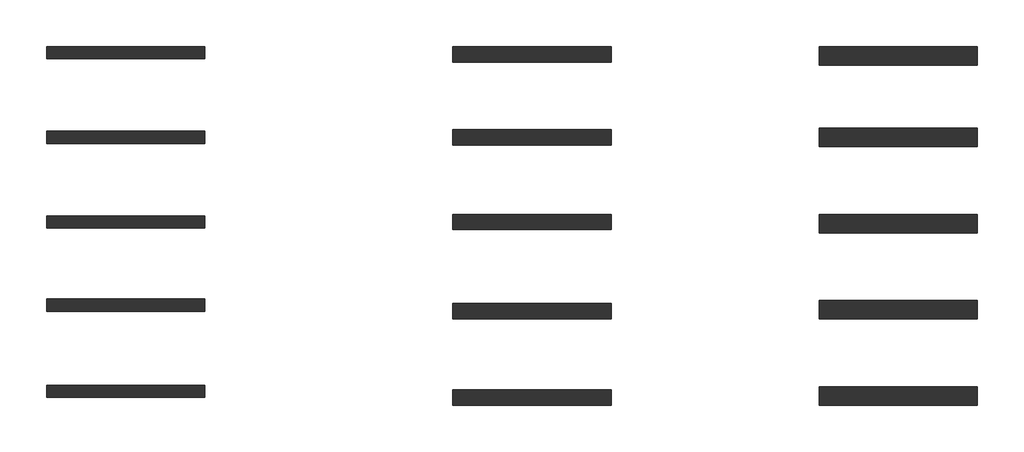
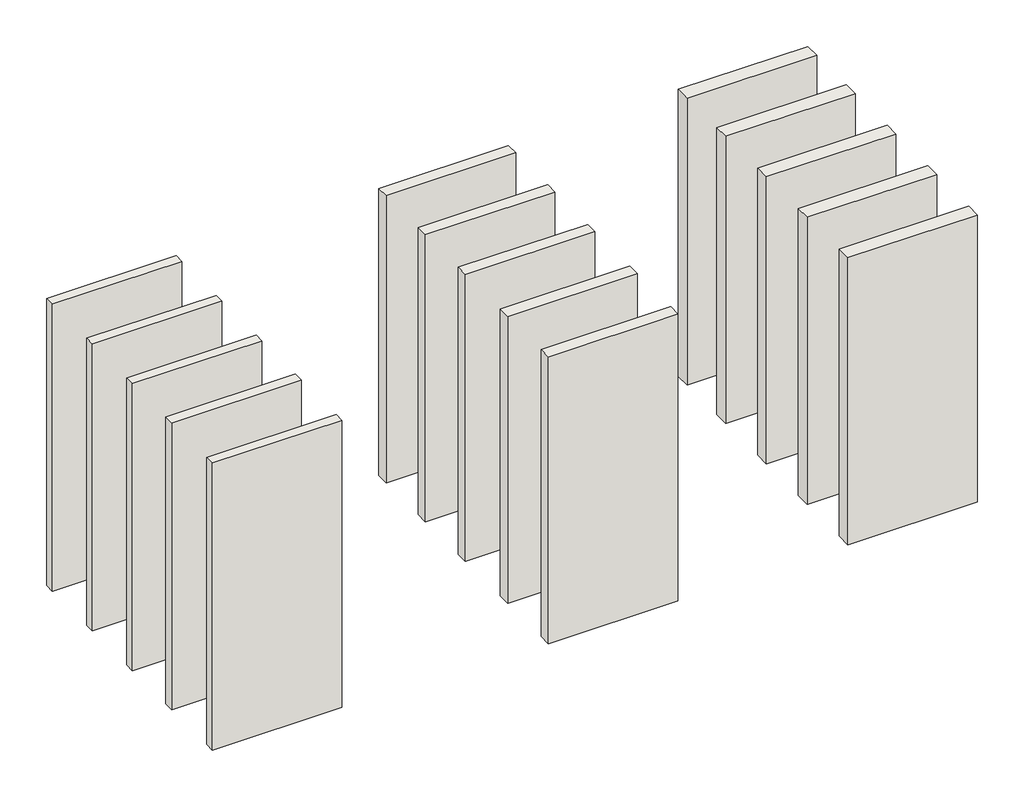
# One storey: 15 walls.
"""IFC4 building model written with IfcOpenShell, lengths in millimetres."""

from ifc_helpers import new_model, si_unit, origin, origin_with_axes, place, context, project, spatial, polyline, outline, extrude, element, save

model = new_model("IFC4")

# Units and contexts
model_context = context("Model", 3, world=origin())
ifc_project = project(units=[si_unit("LENGTHUNIT", "METRE", prefix="MILLI")], contexts=[model_context])

# Site, building, storey
site = spatial("IfcSite", under=ifc_project)
building = spatial("IfcBuilding", under=site)
storey = spatial("IfcBuildingStorey", under=building, Elevation=0.0)

# Walls
placement = place(None, origin())
element("IfcWall", 1, at=placement, inside=storey, context=model_context, shape_type="SweptSolid", body=[
    extrude(outline(polyline([(-9780.2640717, 13481.7035262), (-11060.2640717, 13481.7035262), (-11060.2640717, 13581.7035262), (-9780.2640717, 13581.7035262), (-9780.2640717, 13481.7035262)])), origin_with_axes(), (0.0, 0.0, 1.0), 3000.0),
])
element("IfcWall", 2, at=placement, inside=storey, context=model_context, shape_type="SweptSolid", body=[
    extrude(outline(polyline([(-9780.2640717, 12796.7035262), (-11060.2640717, 12796.7035262), (-11060.2640717, 12896.7035262), (-9780.2640717, 12896.7035262), (-9780.2640717, 12796.7035262)])), origin_with_axes(), (0.0, 0.0, 1.0), 3000.0),
])
element("IfcWall", 3, at=placement, inside=storey, context=model_context, shape_type="SweptSolid", body=[
    extrude(outline(polyline([(-9780.2640717, 12111.7035262), (-11060.2640717, 12111.7035262), (-11060.2640717, 12211.7035262), (-9780.2640717, 12211.7035262), (-9780.2640717, 12111.7035262)])), origin_with_axes(), (0.0, 0.0, 1.0), 3000.0),
])
element("IfcWall", 4, at=placement, inside=storey, context=model_context, shape_type="SweptSolid", body=[
    extrude(outline(polyline([(-9780.2640717, 11439.2035262), (-11060.2640717, 11439.2035262), (-11060.2640717, 11539.2035262), (-9780.2640717, 11539.2035262), (-9780.2640717, 11439.2035262)])), origin_with_axes(), (0.0, 0.0, 1.0), 3000.0),
])
element("IfcWall", 5, at=placement, inside=storey, context=model_context, shape_type="SweptSolid", body=[
    extrude(outline(polyline([(-9780.2640717, 10741.7035262), (-11060.2640717, 10741.7035262), (-11060.2640717, 10841.7035262), (-9780.2640717, 10841.7035262), (-9780.2640717, 10741.7035262)])), origin_with_axes(), (0.0, 0.0, 1.0), 3000.0),
])
element("IfcWall", 6, at=placement, inside=storey, context=model_context, shape_type="SweptSolid", body=[
    extrude(outline(polyline([(-6496.3399499, 13456.7035262), (-7776.3399499, 13456.7035262), (-7776.3399499, 13581.7035262), (-6496.3399499, 13581.7035262), (-6496.3399499, 13456.7035262)])), origin_with_axes(), (0.0, 0.0, 1.0), 3000.0),
])
element("IfcWall", 7, at=placement, inside=storey, context=model_context, shape_type="SweptSolid", body=[
    extrude(outline(polyline([(-6496.3399499, 12784.2035262), (-7776.3399499, 12784.2035262), (-7776.3399499, 12909.2035262), (-6496.3399499, 12909.2035262), (-6496.3399499, 12784.2035262)])), origin_with_axes(), (0.0, 0.0, 1.0), 3000.0),
])
element("IfcWall", 8, at=placement, inside=storey, context=model_context, shape_type="SweptSolid", body=[
    extrude(outline(polyline([(-6496.3399499, 12099.2035262), (-7776.3399499, 12099.2035262), (-7776.3399499, 12224.2035262), (-6496.3399499, 12224.2035262), (-6496.3399499, 12099.2035262)])), origin_with_axes(), (0.0, 0.0, 1.0), 3000.0),
])
element("IfcWall", 9, at=placement, inside=storey, context=model_context, shape_type="SweptSolid", body=[
    extrude(outline(polyline([(-6496.3399499, 11376.7035262), (-7776.3399499, 11376.7035262), (-7776.3399499, 11501.7035262), (-6496.3399499, 11501.7035262), (-6496.3399499, 11376.7035262)])), origin_with_axes(), (0.0, 0.0, 1.0), 3000.0),
])
element("IfcWall", 10, at=placement, inside=storey, context=model_context, shape_type="SweptSolid", body=[
    extrude(outline(polyline([(-6496.3399499, 10679.2035262), (-7776.3399499, 10679.2035262), (-7776.3399499, 10804.2035262), (-6496.3399499, 10804.2035262), (-6496.3399499, 10679.2035262)])), origin_with_axes(), (0.0, 0.0, 1.0), 3000.0),
])
element("IfcWall", 11, at=placement, inside=storey, context=model_context, shape_type="SweptSolid", body=[
    extrude(outline(polyline([(-3536.3399499, 13431.7035262), (-4816.3399499, 13431.7035262), (-4816.3399499, 13581.7035262), (-3536.3399499, 13581.7035262), (-3536.3399499, 13431.7035262)])), origin_with_axes(), (0.0, 0.0, 1.0), 3000.0),
])
element("IfcWall", 12, at=placement, inside=storey, context=model_context, shape_type="SweptSolid", body=[
    extrude(outline(polyline([(-3536.3399499, 12771.7035262), (-4816.3399499, 12771.7035262), (-4816.3399499, 12921.7035262), (-3536.3399499, 12921.7035262), (-3536.3399499, 12771.7035262)])), origin_with_axes(), (0.0, 0.0, 1.0), 3000.0),
])
element("IfcWall", 13, at=placement, inside=storey, context=model_context, shape_type="SweptSolid", body=[
    extrude(outline(polyline([(-3536.3399499, 12074.2035262), (-4816.3399499, 12074.2035262), (-4816.3399499, 12224.2035262), (-3536.3399499, 12224.2035262), (-3536.3399499, 12074.2035262)])), origin_with_axes(), (0.0, 0.0, 1.0), 3000.0),
])
element("IfcWall", 14, at=placement, inside=storey, context=model_context, shape_type="SweptSolid", body=[
    extrude(outline(polyline([(-3536.3399499, 11376.7035262), (-4816.3399499, 11376.7035262), (-4816.3399499, 11526.7035262), (-3536.3399499, 11526.7035262), (-3536.3399499, 11376.7035262)])), origin_with_axes(), (0.0, 0.0, 1.0), 3000.0),
])
element("IfcWall", 15, at=placement, inside=storey, context=model_context, shape_type="SweptSolid", body=[
    extrude(outline(polyline([(-3536.3399499, 10679.2035262), (-4816.3399499, 10679.2035262), (-4816.3399499, 10829.2035262), (-3536.3399499, 10829.2035262), (-3536.3399499, 10679.2035262)])), origin_with_axes(), (0.0, 0.0, 1.0), 3000.0),
])

save(model, "model.ifc")
